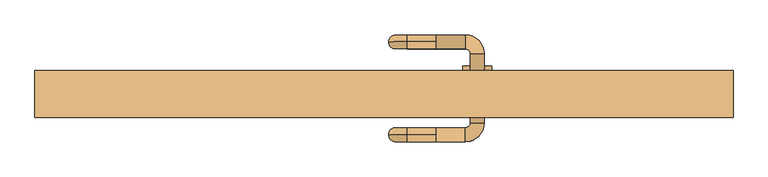
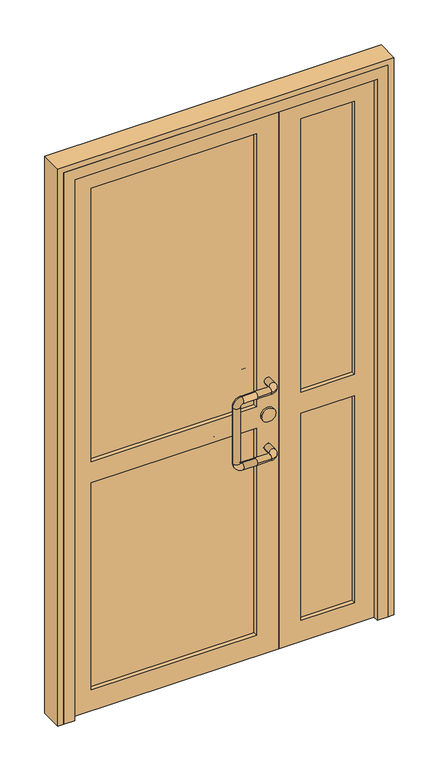
"""IFC4 building model written with IfcOpenShell, lengths in millimetres: door geometry."""

from ifc_helpers import new_model, si_unit, point, frame, frame_2d, origin, place, context, project, spatial, polyline, circle_curve, ellipse_curve, trimmed, segment, composite_curve, outline, extrude, faceted_brep, source, transform, mapped, element, save
from ifc_brep_helpers import cylinder_surface, revolved_surface, advanced_brep


def door_3c0c65f7(model_context):
    return source(origin(), model_context, "Body", "SolidModel", [
        advanced_brep(
        [(90.0, 122.0, 1025.0), (90.0, 110.0, 1037.0), (90.0, 98.0, 1025.0), (140.0, 98.0, 1025.0), (140.0, 122.0, 1025.0), (90.0, 110.0, 1013.0), (148.0, 90.0, 1025.0), (172.0, 90.0, 1025.0), (148.0, -30.0, 1025.0), (172.0, -30.0, 1025.0), (140.0, -38.0, 1025.0), (140.0, -62.0, 1025.0), (90.0, -38.0, 1025.0), (90.0, -50.0, 1037.0), (90.0, -62.0, 1025.0), (90.0, -50.0, 1013.0), (40.0, 110.0, 1037.0), (40.0, 110.0, 1013.0), (8.0, 110.0, 1005.0), (32.0, 110.0, 1005.0), (8.0, 110.0, 795.0), (32.0, 110.0, 795.0), (40.0, 110.0, 763.0), (40.0, 110.0, 787.0), (90.0, 110.0, 763.0), (90.0, 98.0, 775.0), (90.0, 110.0, 787.0), (90.0, 122.0, 775.0), (140.0, 98.0, 775.0), (140.0, 122.0, 775.0), (148.0, 90.0, 775.0), (172.0, 90.0, 775.0), (148.0, -30.0, 775.0), (172.0, -30.0, 775.0), (140.0, -38.0, 775.0), (140.0, -62.0, 775.0), (90.0, -38.0, 775.0), (90.0, -50.0, 787.0), (90.0, -62.0, 775.0), (90.0, -50.0, 763.0), (40.0, -50.0, 1037.0), (40.0, -50.0, 1013.0), (8.0, -50.0, 1005.0), (32.0, -50.0, 1005.0), (8.0, -50.0, 795.0), (32.0, -50.0, 795.0), (40.0, -50.0, 763.0), (40.0, -50.0, 787.0)],
        [
            (0, 1, circle_curve(frame((90.0, 110.0, 1025.0), z_axis=(1.0, 0.0, 0.0), x_axis=(0.0, -1.0, 0.0)), 12.0)),
            (1, 2, circle_curve(frame((90.0, 110.0, 1025.0), z_axis=(1.0, 0.0, 0.0), x_axis=(0.0, -1.0, 0.0)), 12.0)),
            (2, 3),
            (3, 4, circle_curve(frame((140.0, 110.0, 1025.0), z_axis=(-1.0, 0.0, 0.0), x_axis=(0.0, -1.0, 0.0)), 12.0)),
            (4, 0),
            (4, 3, circle_curve(frame((140.0, 110.0, 1025.0), z_axis=(-1.0, 0.0, 0.0), x_axis=(0.0, -1.0, 0.0)), 12.0)),
            (2, 5, circle_curve(frame((90.0, 110.0, 1025.0), z_axis=(1.0, 0.0, 0.0), x_axis=(0.0, -1.0, 0.0)), 12.0)),
            (5, 0, circle_curve(frame((90.0, 110.0, 1025.0), z_axis=(1.0, 0.0, 0.0), x_axis=(0.0, -1.0, 0.0)), 12.0)),
            (3, 6, circle_curve(frame((140.0, 90.0, 1025.0), z_axis=(0.0, 0.0, -1.0), x_axis=(0.0, 1.0, 0.0)), 8.0)),
            (6, 7, circle_curve(frame((160.0, 90.0, 1025.0), z_axis=(0.0, 1.0, 0.0), x_axis=(-1.0, 0.0, 0.0)), 12.0)),
            (7, 4, circle_curve(frame((140.0, 90.0, 1025.0), z_axis=(0.0, 0.0, 1.0), x_axis=(0.0, 1.0, 0.0)), 32.0)),
            (7, 6, circle_curve(frame((160.0, 90.0, 1025.0), z_axis=(0.0, 1.0, 0.0), x_axis=(-1.0, 0.0, 0.0)), 12.0)),
            (6, 8),
            (8, 9, circle_curve(frame((160.0, -30.0, 1025.0), z_axis=(0.0, 1.0, 0.0), x_axis=(-1.0, 0.0, 0.0)), 12.0)),
            (9, 7),
            (9, 8, circle_curve(frame((160.0, -30.0, 1025.0), z_axis=(0.0, 1.0, 0.0), x_axis=(-1.0, 0.0, 0.0)), 12.0)),
            (8, 10, circle_curve(frame((140.0, -30.0, 1025.0), z_axis=(0.0, 0.0, -1.0), x_axis=(1.0, 0.0, 0.0)), 8.0)),
            (10, 11, circle_curve(frame((140.0, -50.0, 1025.0), z_axis=(1.0, 0.0, 0.0), x_axis=(0.0, 1.0, 0.0)), 12.0)),
            (11, 9, circle_curve(frame((140.0, -30.0, 1025.0), z_axis=(0.0, 0.0, 1.0), x_axis=(1.0, 0.0, 0.0)), 32.0)),
            (11, 10, circle_curve(frame((140.0, -50.0, 1025.0), z_axis=(1.0, 0.0, 0.0), x_axis=(0.0, 1.0, 0.0)), 12.0)),
            (10, 12),
            (12, 13, circle_curve(frame((90.0, -50.0, 1025.0), z_axis=(1.0, 0.0, 0.0), x_axis=(0.0, 1.0, 0.0)), 12.0)),
            (13, 14, circle_curve(frame((90.0, -50.0, 1025.0), z_axis=(1.0, 0.0, 0.0), x_axis=(0.0, 1.0, 0.0)), 12.0)),
            (14, 11),
            (14, 15, circle_curve(frame((90.0, -50.0, 1025.0), z_axis=(1.0, 0.0, 0.0), x_axis=(0.0, 1.0, 0.0)), 12.0)),
            (15, 12, circle_curve(frame((90.0, -50.0, 1025.0), z_axis=(1.0, 0.0, 0.0), x_axis=(0.0, 1.0, 0.0)), 12.0)),
            (1, 16),
            (16, 17, circle_curve(frame((40.0, 110.0, 1025.0), z_axis=(1.0, 0.0, 0.0), x_axis=(0.0, 0.0, 1.0)), 12.0)),
            (17, 5),
            (17, 16, circle_curve(frame((40.0, 110.0, 1025.0), z_axis=(1.0, 0.0, 0.0), x_axis=(0.0, 0.0, 1.0)), 12.0)),
            (16, 18, circle_curve(frame((40.0, 110.0, 1005.0), z_axis=(0.0, -1.0, 0.0), x_axis=(0.0, 0.0, 1.0)), 32.0)),
            (18, 19, circle_curve(frame((20.0, 110.0, 1005.0), z_axis=(0.0, 0.0, 1.0), x_axis=(-1.0, 0.0, 0.0)), 12.0)),
            (19, 17, circle_curve(frame((40.0, 110.0, 1005.0), z_axis=(0.0, 1.0, 0.0), x_axis=(0.0, 0.0, 1.0)), 8.0)),
            (19, 18, circle_curve(frame((20.0, 110.0, 1005.0), z_axis=(0.0, 0.0, 1.0), x_axis=(-1.0, 0.0, 0.0)), 12.0)),
            (18, 20),
            (20, 21, circle_curve(frame((20.0, 110.0, 795.0), z_axis=(0.0, 0.0, 1.0), x_axis=(-1.0, 0.0, 0.0)), 12.0)),
            (21, 19),
            (21, 20, circle_curve(frame((20.0, 110.0, 795.0), z_axis=(0.0, 0.0, 1.0), x_axis=(-1.0, 0.0, 0.0)), 12.0)),
            (20, 22, circle_curve(frame((40.0, 110.0, 795.0), z_axis=(0.0, -1.0, 0.0), x_axis=(-1.0, 0.0, 0.0)), 32.0)),
            (22, 23, circle_curve(frame((40.0, 110.0, 775.0), z_axis=(-1.0, 0.0, 0.0), x_axis=(0.0, 0.0, -1.0)), 12.0)),
            (23, 21, circle_curve(frame((40.0, 110.0, 795.0), z_axis=(0.0, 1.0, 0.0), x_axis=(-1.0, 0.0, 0.0)), 8.0)),
            (23, 22, circle_curve(frame((40.0, 110.0, 775.0), z_axis=(-1.0, 0.0, 0.0), x_axis=(0.0, 0.0, -1.0)), 12.0)),
            (22, 24),
            (24, 25, circle_curve(frame((90.0, 110.0, 775.0), z_axis=(-1.0, 0.0, 0.0), x_axis=(0.0, 0.0, -1.0)), 12.0)),
            (25, 26, circle_curve(frame((90.0, 110.0, 775.0), z_axis=(-1.0, 0.0, 0.0), x_axis=(0.0, 0.0, -1.0)), 12.0)),
            (26, 23),
            (26, 27, circle_curve(frame((90.0, 110.0, 775.0), z_axis=(-1.0, 0.0, 0.0), x_axis=(0.0, 0.0, -1.0)), 12.0)),
            (27, 24, circle_curve(frame((90.0, 110.0, 775.0), z_axis=(-1.0, 0.0, 0.0), x_axis=(0.0, 0.0, -1.0)), 12.0)),
            (25, 28),
            (28, 29, circle_curve(frame((140.0, 110.0, 775.0), z_axis=(-1.0, 0.0, 0.0), x_axis=(0.0, -1.0, 0.0)), 12.0)),
            (29, 27),
            (29, 28, circle_curve(frame((140.0, 110.0, 775.0), z_axis=(-1.0, 0.0, 0.0), x_axis=(0.0, -1.0, 0.0)), 12.0)),
            (28, 30, circle_curve(frame((140.0, 90.0, 775.0), z_axis=(0.0, 0.0, -1.0), x_axis=(0.0, 1.0, 0.0)), 8.0)),
            (30, 31, circle_curve(frame((160.0, 90.0, 775.0), z_axis=(0.0, 1.0, 0.0), x_axis=(-1.0, 0.0, 0.0)), 12.0)),
            (31, 29, circle_curve(frame((140.0, 90.0, 775.0), z_axis=(0.0, 0.0, 1.0), x_axis=(0.0, 1.0, 0.0)), 32.0)),
            (31, 30, circle_curve(frame((160.0, 90.0, 775.0), z_axis=(0.0, 1.0, 0.0), x_axis=(-1.0, 0.0, 0.0)), 12.0)),
            (30, 32),
            (32, 33, circle_curve(frame((160.0, -30.0, 775.0), z_axis=(0.0, 1.0, 0.0), x_axis=(-1.0, 0.0, 0.0)), 12.0)),
            (33, 31),
            (33, 32, circle_curve(frame((160.0, -30.0, 775.0), z_axis=(0.0, 1.0, 0.0), x_axis=(-1.0, 0.0, 0.0)), 12.0)),
            (32, 34, circle_curve(frame((140.0, -30.0, 775.0), z_axis=(0.0, 0.0, -1.0), x_axis=(1.0, 0.0, 0.0)), 8.0)),
            (34, 35, circle_curve(frame((140.0, -50.0, 775.0), z_axis=(1.0, 0.0, 0.0), x_axis=(0.0, 1.0, 0.0)), 12.0)),
            (35, 33, circle_curve(frame((140.0, -30.0, 775.0), z_axis=(0.0, 0.0, 1.0), x_axis=(1.0, 0.0, 0.0)), 32.0)),
            (35, 34, circle_curve(frame((140.0, -50.0, 775.0), z_axis=(1.0, 0.0, 0.0), x_axis=(0.0, 1.0, 0.0)), 12.0)),
            (34, 36),
            (36, 37, circle_curve(frame((90.0, -50.0, 775.0), z_axis=(1.0, 0.0, 0.0), x_axis=(0.0, 1.0, 0.0)), 12.0)),
            (37, 38, circle_curve(frame((90.0, -50.0, 775.0), z_axis=(1.0, 0.0, 0.0), x_axis=(0.0, 1.0, 0.0)), 12.0)),
            (38, 35),
            (38, 39, circle_curve(frame((90.0, -50.0, 775.0), z_axis=(1.0, 0.0, 0.0), x_axis=(0.0, 1.0, 0.0)), 12.0)),
            (39, 36, circle_curve(frame((90.0, -50.0, 775.0), z_axis=(1.0, 0.0, 0.0), x_axis=(0.0, 1.0, 0.0)), 12.0)),
            (13, 40),
            (40, 41, circle_curve(frame((40.0, -50.0, 1025.0), z_axis=(1.0, 0.0, 0.0), x_axis=(0.0, 0.0, 1.0)), 12.0)),
            (41, 15),
            (41, 40, circle_curve(frame((40.0, -50.0, 1025.0), z_axis=(1.0, 0.0, 0.0), x_axis=(0.0, 0.0, 1.0)), 12.0)),
            (40, 42, circle_curve(frame((40.0, -50.0, 1005.0), z_axis=(0.0, -1.0, 0.0), x_axis=(0.0, 0.0, 1.0)), 32.0)),
            (42, 43, circle_curve(frame((20.0, -50.0, 1005.0), z_axis=(0.0, 0.0, 1.0), x_axis=(-1.0, 0.0, 0.0)), 12.0)),
            (43, 41, circle_curve(frame((40.0, -50.0, 1005.0), z_axis=(0.0, 1.0, 0.0), x_axis=(0.0, 0.0, 1.0)), 8.0)),
            (43, 42, circle_curve(frame((20.0, -50.0, 1005.0), z_axis=(0.0, 0.0, 1.0), x_axis=(-1.0, 0.0, 0.0)), 12.0)),
            (42, 44),
            (44, 45, circle_curve(frame((20.0, -50.0, 795.0), z_axis=(0.0, 0.0, 1.0), x_axis=(-1.0, 0.0, 0.0)), 12.0)),
            (45, 43),
            (45, 44, circle_curve(frame((20.0, -50.0, 795.0), z_axis=(0.0, 0.0, 1.0), x_axis=(-1.0, 0.0, 0.0)), 12.0)),
            (44, 46, circle_curve(frame((40.0, -50.0, 795.0), z_axis=(0.0, -1.0, 0.0), x_axis=(-1.0, 0.0, 0.0)), 32.0)),
            (46, 47, circle_curve(frame((40.0, -50.0, 775.0), z_axis=(-1.0, 0.0, 0.0), x_axis=(0.0, 0.0, -1.0)), 12.0)),
            (47, 45, circle_curve(frame((40.0, -50.0, 795.0), z_axis=(0.0, 1.0, 0.0), x_axis=(-1.0, 0.0, 0.0)), 8.0)),
            (47, 46, circle_curve(frame((40.0, -50.0, 775.0), z_axis=(-1.0, 0.0, 0.0), x_axis=(0.0, 0.0, -1.0)), 12.0)),
            (46, 39),
            (37, 47),
        ],
        [
            cylinder_surface(frame((90.0, 110.0, 1025.0), z_axis=(-1.0, 0.0, 0.0), x_axis=(0.0, -1.0, 0.0)), 12.0),
            revolved_surface(trimmed(ellipse_curve(frame((140.0, 110.0, 1025.0), z_axis=(1.0, 0.0, 0.0), x_axis=(0.0, -1.0, 0.0)), 12.0, 12.0), [point((140.0, 122.0, 1025.0))], [point((140.0, 98.0, 1025.0))], True, "CARTESIAN"), (140.0, 90.0, 1025.0), (0.0, 0.0, 1.0)),
            revolved_surface(trimmed(ellipse_curve(frame((140.0, 110.0, 1025.0), z_axis=(1.0, 0.0, 0.0), x_axis=(0.0, -1.0, 0.0)), 12.0, 12.0), [point((140.0, 98.0, 1025.0))], [point((140.0, 122.0, 1025.0))], True, "CARTESIAN"), (140.0, 90.0, 1025.0), (0.0, 0.0, 1.0)),
            cylinder_surface(frame((160.0, 90.0, 1025.0), z_axis=(0.0, 1.0, 0.0), x_axis=(-1.0, 0.0, 0.0)), 12.0),
            revolved_surface(trimmed(ellipse_curve(frame((160.0, -30.0, 1025.0), z_axis=(0.0, -1.0, 0.0), x_axis=(-1.0, 0.0, 0.0)), 12.0, 12.0), [point((172.0, -30.0, 1025.0))], [point((148.0, -30.0, 1025.0))], True, "CARTESIAN"), (140.0, -30.0, 1025.0), (0.0, 0.0, 1.0)),
            revolved_surface(trimmed(ellipse_curve(frame((160.0, -30.0, 1025.0), z_axis=(0.0, -1.0, 0.0), x_axis=(-1.0, 0.0, 0.0)), 12.0, 12.0), [point((148.0, -30.0, 1025.0))], [point((172.0, -30.0, 1025.0))], True, "CARTESIAN"), (140.0, -30.0, 1025.0), (0.0, 0.0, 1.0)),
            cylinder_surface(frame((140.0, -50.0, 1025.0), z_axis=(1.0, 0.0, 0.0), x_axis=(0.0, 1.0, 0.0)), 12.0),
            cylinder_surface(frame((90.0, 110.0, 1025.0), z_axis=(1.0, 0.0, 0.0), x_axis=(0.0, 0.0, 1.0)), 12.0),
            revolved_surface(trimmed(ellipse_curve(frame((40.0, 110.0, 1025.0), z_axis=(-1.0, 0.0, 0.0), x_axis=(0.0, 0.0, 1.0)), 12.0, 12.0), [point((40.0, 110.0, 1013.0))], [point((40.0, 110.0, 1037.0))], True, "CARTESIAN"), (40.0, 110.0, 1005.0), (0.0, 1.0, 0.0)),
            revolved_surface(trimmed(ellipse_curve(frame((40.0, 110.0, 1025.0), z_axis=(-1.0, 0.0, 0.0), x_axis=(0.0, 0.0, 1.0)), 12.0, 12.0), [point((40.0, 110.0, 1037.0))], [point((40.0, 110.0, 1013.0))], True, "CARTESIAN"), (40.0, 110.0, 1005.0), (0.0, 1.0, 0.0)),
            cylinder_surface(frame((20.0, 110.0, 1005.0), z_axis=(0.0, 0.0, 1.0), x_axis=(-1.0, 0.0, 0.0)), 12.0),
            revolved_surface(trimmed(ellipse_curve(frame((20.0, 110.0, 795.0), z_axis=(0.0, 0.0, -1.0), x_axis=(-1.0, 0.0, 0.0)), 12.0, 12.0), [point((32.0, 110.0, 795.0))], [point((8.0, 110.0, 795.0))], True, "CARTESIAN"), (40.0, 110.0, 795.0), (0.0, 1.0, 0.0)),
            revolved_surface(trimmed(ellipse_curve(frame((20.0, 110.0, 795.0), z_axis=(0.0, 0.0, -1.0), x_axis=(-1.0, 0.0, 0.0)), 12.0, 12.0), [point((8.0, 110.0, 795.0))], [point((32.0, 110.0, 795.0))], True, "CARTESIAN"), (40.0, 110.0, 795.0), (0.0, 1.0, 0.0)),
            cylinder_surface(frame((40.0, 110.0, 775.0), z_axis=(-1.0, 0.0, 0.0), x_axis=(0.0, 0.0, -1.0)), 12.0),
            cylinder_surface(frame((90.0, 110.0, 775.0), z_axis=(-1.0, 0.0, 0.0), x_axis=(0.0, -1.0, 0.0)), 12.0),
            revolved_surface(trimmed(ellipse_curve(frame((140.0, 110.0, 775.0), z_axis=(1.0, 0.0, 0.0), x_axis=(0.0, -1.0, 0.0)), 12.0, 12.0), [point((140.0, 122.0, 775.0))], [point((140.0, 98.0, 775.0))], True, "CARTESIAN"), (140.0, 90.0, 775.0), (0.0, 0.0, 1.0)),
            revolved_surface(trimmed(ellipse_curve(frame((140.0, 110.0, 775.0), z_axis=(1.0, 0.0, 0.0), x_axis=(0.0, -1.0, 0.0)), 12.0, 12.0), [point((140.0, 98.0, 775.0))], [point((140.0, 122.0, 775.0))], True, "CARTESIAN"), (140.0, 90.0, 775.0), (0.0, 0.0, 1.0)),
            cylinder_surface(frame((160.0, 90.0, 775.0), z_axis=(0.0, 1.0, 0.0), x_axis=(-1.0, 0.0, 0.0)), 12.0),
            revolved_surface(trimmed(ellipse_curve(frame((160.0, -30.0, 775.0), z_axis=(0.0, -1.0, 0.0), x_axis=(-1.0, 0.0, 0.0)), 12.0, 12.0), [point((172.0, -30.0, 775.0))], [point((148.0, -30.0, 775.0))], True, "CARTESIAN"), (140.0, -30.0, 775.0), (0.0, 0.0, 1.0)),
            revolved_surface(trimmed(ellipse_curve(frame((160.0, -30.0, 775.0), z_axis=(0.0, -1.0, 0.0), x_axis=(-1.0, 0.0, 0.0)), 12.0, 12.0), [point((148.0, -30.0, 775.0))], [point((172.0, -30.0, 775.0))], True, "CARTESIAN"), (140.0, -30.0, 775.0), (0.0, 0.0, 1.0)),
            cylinder_surface(frame((140.0, -50.0, 775.0), z_axis=(1.0, 0.0, 0.0), x_axis=(0.0, 1.0, 0.0)), 12.0),
            cylinder_surface(frame((90.0, -50.0, 1025.0), z_axis=(1.0, 0.0, 0.0), x_axis=(0.0, 0.0, 1.0)), 12.0),
            revolved_surface(trimmed(ellipse_curve(frame((40.0, -50.0, 1025.0), z_axis=(-1.0, 0.0, 0.0), x_axis=(0.0, 0.0, 1.0)), 12.0, 12.0), [point((40.0, -50.0, 1013.0))], [point((40.0, -50.0, 1037.0))], True, "CARTESIAN"), (40.0, -50.0, 1005.0), (0.0, 1.0, 0.0)),
            revolved_surface(trimmed(ellipse_curve(frame((40.0, -50.0, 1025.0), z_axis=(-1.0, 0.0, 0.0), x_axis=(0.0, 0.0, 1.0)), 12.0, 12.0), [point((40.0, -50.0, 1037.0))], [point((40.0, -50.0, 1013.0))], True, "CARTESIAN"), (40.0, -50.0, 1005.0), (0.0, 1.0, 0.0)),
            cylinder_surface(frame((20.0, -50.0, 1005.0), z_axis=(0.0, 0.0, 1.0), x_axis=(-1.0, 0.0, 0.0)), 12.0),
            revolved_surface(trimmed(ellipse_curve(frame((20.0, -50.0, 795.0), z_axis=(0.0, 0.0, -1.0), x_axis=(-1.0, 0.0, 0.0)), 12.0, 12.0), [point((32.0, -50.0, 795.0))], [point((8.0, -50.0, 795.0))], True, "CARTESIAN"), (40.0, -50.0, 795.0), (0.0, 1.0, 0.0)),
            revolved_surface(trimmed(ellipse_curve(frame((20.0, -50.0, 795.0), z_axis=(0.0, 0.0, -1.0), x_axis=(-1.0, 0.0, 0.0)), 12.0, 12.0), [point((8.0, -50.0, 795.0))], [point((32.0, -50.0, 795.0))], True, "CARTESIAN"), (40.0, -50.0, 795.0), (0.0, 1.0, 0.0)),
            cylinder_surface(frame((40.0, -50.0, 775.0), z_axis=(-1.0, 0.0, 0.0), x_axis=(0.0, 0.0, -1.0)), 12.0),
        ],
        [
            (0, [[1, 2, 3, 4, 5]]),
            (0, [[6, -3, 7, 8, -5]]),
            (1, [[9, 10, 11, -4]]),
            (2, [[-11, 12, -9, -6]]),
            (3, [[13, 14, 15, -10]]),
            (3, [[-15, 16, -13, -12]]),
            (4, [[17, 18, 19, -14]]),
            (5, [[-19, 20, -17, -16]]),
            (6, [[21, 22, 23, 24, -18]]),
            (6, [[-24, 25, 26, -21, -20]]),
            (7, [[-7, -2, 27, 28, 29]]),
            (7, [[30, -27, -1, -8, -29]]),
            (8, [[31, 32, 33, -28]]),
            (9, [[-33, 34, -31, -30]]),
            (10, [[35, 36, 37, -32]]),
            (10, [[-37, 38, -35, -34]]),
            (11, [[39, 40, 41, -36]]),
            (12, [[-41, 42, -39, -38]]),
            (13, [[43, 44, 45, 46, -40]]),
            (13, [[-46, 47, 48, -43, -42]]),
            (14, [[-47, -45, 49, 50, 51]]),
            (14, [[52, -49, -44, -48, -51]]),
            (15, [[53, 54, 55, -50]]),
            (16, [[-55, 56, -53, -52]]),
            (17, [[57, 58, 59, -54]]),
            (17, [[-59, 60, -57, -56]]),
            (18, [[61, 62, 63, -58]]),
            (19, [[-63, 64, -61, -60]]),
            (20, [[65, 66, 67, 68, -62]]),
            (20, [[-68, 69, 70, -65, -64]]),
            (21, [[-25, -23, 71, 72, 73]]),
            (21, [[74, -71, -22, -26, -73]]),
            (22, [[75, 76, 77, -72]]),
            (23, [[-77, 78, -75, -74]]),
            (24, [[79, 80, 81, -76]]),
            (24, [[-81, 82, -79, -78]]),
            (25, [[83, 84, 85, -80]]),
            (26, [[-85, 86, -83, -82]]),
            (27, [[87, -69, -67, 88, -84]]),
            (27, [[-88, -66, -70, -87, -86]]),
        ],
    ),
        extrude(outline(composite_curve([segment(trimmed(circle_curve(frame_2d((900.0, 160.0)), 25.0), [point((900.0, 185.0))], [point((900.0, 135.0))], False, "CARTESIAN"), True, "CONTINUOUS"), segment(trimmed(circle_curve(frame_2d((900.0, 160.0)), 25.0), [point((900.0, 135.0))], [point((900.0, 185.0))], False, "CARTESIAN"), True, "CONTINUOUS")], self_intersect=False)), frame((0.0, -8.0, 0.0), z_axis=(0.0, 1.0, 0.0), x_axis=(0.0, 0.0, 1.0)), (0.0, 0.0, 1.0), 76.0),
        extrude(outline(polyline([(-470.0, 45.0), (120.0, 45.0), (120.0, 15.0), (-470.0, 15.0), (-470.0, 45.0)])), frame((0.0, 0.0, 80.0), z_axis=(0.0, 0.0, 1.0), x_axis=(1.0, 0.0, 0.0)), (0.0, 0.0, 1.0), 1890.0),
        extrude(outline(polyline([(2050.0, 200.0), (2050.0, -550.0), (0.0, -550.0), (0.0, 200.0), (2050.0, 200.0)]), holes=[polyline([(940.0, -470.0), (1970.0, -470.0), (1970.0, 120.0), (940.0, 120.0), (940.0, -470.0)]), polyline([(80.0, 120.0), (80.0, -470.0), (860.0, -470.0), (860.0, 120.0), (80.0, 120.0)])]), frame((0.0, 0.0, 0.0), z_axis=(0.0, 1.0, 0.0), x_axis=(0.0, 0.0, 1.0)), (0.0, 0.0, 1.0), 60.0),
        extrude(outline(polyline([(280.0, 45.0), (470.0, 45.0), (470.0, 15.0), (280.0, 15.0), (280.0, 45.0)])), frame((0.0, 0.0, 80.0), z_axis=(0.0, 0.0, 1.0), x_axis=(1.0, 0.0, 0.0)), (0.0, 0.0, 1.0), 1890.0),
        extrude(outline(polyline([(2050.0, 550.0), (2050.0, 200.0), (0.0, 200.0), (0.0, 550.0), (2050.0, 550.0)]), holes=[polyline([(940.0, 280.0), (1970.0, 280.0), (1970.0, 470.0), (940.0, 470.0), (940.0, 280.0)]), polyline([(80.0, 470.0), (80.0, 280.0), (860.0, 280.0), (860.0, 470.0), (80.0, 470.0)])]), frame((0.0, 0.0, 0.0), z_axis=(0.0, 1.0, 0.0), x_axis=(0.0, 0.0, 1.0)), (0.0, 0.0, 1.0), 60.0),
        extrude(outline(polyline([(0.0, 600.0), (2100.0, 600.0), (2100.0, -600.0), (0.0, -600.0), (0.0, -580.0), (2080.0, -580.0), (2080.0, 580.0), (0.0, 580.0), (0.0, 600.0)])), frame((0.0, -20.0, 0.0), z_axis=(0.0, 1.0, 0.0), x_axis=(0.0, 0.0, 1.0)), (0.0, 0.0, 1.0), 80.0),
        faceted_brep([(-580.0, -20.0, 0.0), (-580.0, 60.0, 0.0), (-550.0, 60.0, 0.0), (-550.0, 0.0, 0.0), (-540.0, 0.0, 0.0), (-540.0, -20.0, 0.0), (-580.0, -20.0, 2080.0), (-580.0, 60.0, 2080.0), (580.0, 60.0, 2080.0), (580.0, 60.0, 0.0), (550.0, 60.0, 0.0), (550.0, 60.0, 2050.0), (-550.0, 60.0, 2050.0), (-550.0, 0.0, 2050.0), (550.0, 0.0, 2050.0), (550.0, 0.0, 0.0), (540.0, 0.0, 0.0), (540.0, 0.0, 2040.0), (-540.0, 0.0, 2040.0), (-540.0, -20.0, 2040.0), (540.0, -20.0, 2040.0), (540.0, -20.0, 0.0), (580.0, -20.0, 0.0), (580.0, -20.0, 2080.0)], [[[0, 1, 2, 3, 4, 5]], [[1, 0, 6, 7]], [[2, 1, 7, 8, 9, 10, 11, 12]], [[3, 2, 12, 13]], [[4, 3, 13, 14, 15, 16, 17, 18]], [[5, 4, 18, 19]], [[0, 5, 19, 20, 21, 22, 23, 6]], [[7, 6, 23, 8]], [[13, 12, 11, 14]], [[19, 18, 17, 20]], [[22, 21, 16, 15, 10, 9]], [[8, 23, 22, 9]], [[14, 11, 10, 15]], [[20, 17, 16, 21]]]),
    ])


if __name__ == "__main__":
    model = new_model("IFC4")
    model_context = context("Model", 3, world=origin())
    ifc_project = project(units=[si_unit("LENGTHUNIT", "METRE", prefix="MILLI")], contexts=[model_context])
    site = spatial("IfcSite", under=ifc_project)
    building = spatial("IfcBuilding", under=site)
    placement = place(None, origin())
    door_shape = door_3c0c65f7(model_context)
    element("IfcDoor", 1, at=placement, inside=building, context=model_context, shape_type="MappedRepresentation", body=[
        mapped(door_shape, transform((0.0, 0.0, 0.0), x_axis=(1.0, 0.0, 0.0), y_axis=(0.0, 1.0, 0.0), z_axis=(0.0, 0.0, 1.0))),
    ])
    save(model, "model.ifc")
